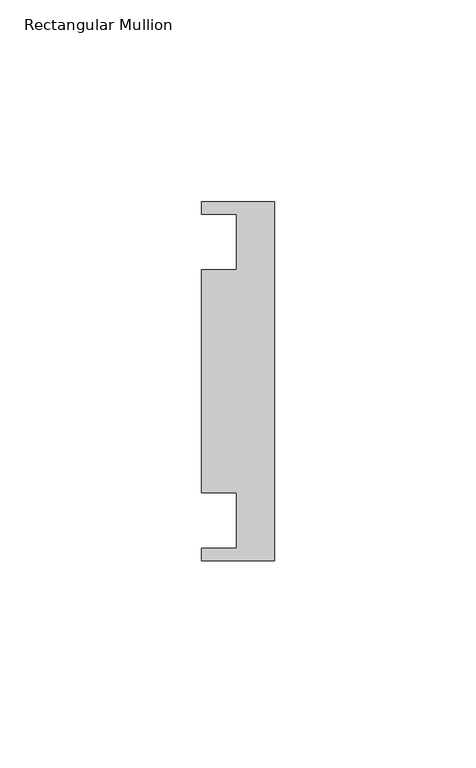
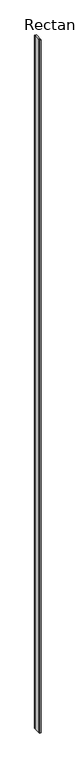
"""IFC4 building model written with IfcOpenShell, lengths in millimetres: member geometry, Rectangular Mullion."""

from ifc_helpers import new_model, si_unit, frame, origin, place, context, project, spatial, polyline, outline, extrude, source, transform, mapped, element, save


def rectangular_mullion_91d5f9b6(model_context):
    return source(origin(), model_context, "Body", "SweptSolid", [
        extrude(outline(polyline([(0.0, -10.0116924), (-18.1, -10.0116924), (-18.1, -6.8886438), (-9.4, -6.8886438), (-9.4, 6.8886438), (-18.1, 6.8886438), (-18.1, 62.0879714), (-9.4, 62.0879714), (-9.4, 75.865259), (-18.1, 75.865259), (-18.1, 78.9883076), (0.0, 78.9883076), (0.0, -10.0116924)])), frame((0.0, 0.0, -8000.0), z_axis=(0.0, 0.0, 1.0), x_axis=(1.0, 0.0, 0.0)), (0.0, 0.0, 1.0), 8000.0),
    ])


if __name__ == "__main__":
    model = new_model("IFC4")
    model_context = context("Model", 3, world=origin())
    ifc_project = project(units=[si_unit("LENGTHUNIT", "METRE", prefix="MILLI")], contexts=[model_context])
    site = spatial("IfcSite", under=ifc_project)
    building = spatial("IfcBuilding", under=site)
    placement = place(None, origin())
    rectangular_mullion_shape = rectangular_mullion_91d5f9b6(model_context)
    element("IfcMember", 1, ObjectType="Rectangular Mullion", at=placement, inside=building, context=model_context, shape_type="MappedRepresentation", body=[
        mapped(rectangular_mullion_shape, transform((0.0, 0.0, 0.0), x_axis=(1.0, 0.0, 0.0), y_axis=(0.0, 1.0, 0.0), z_axis=(0.0, 0.0, 1.0))),
    ])
    save(model, "model.ifc")
